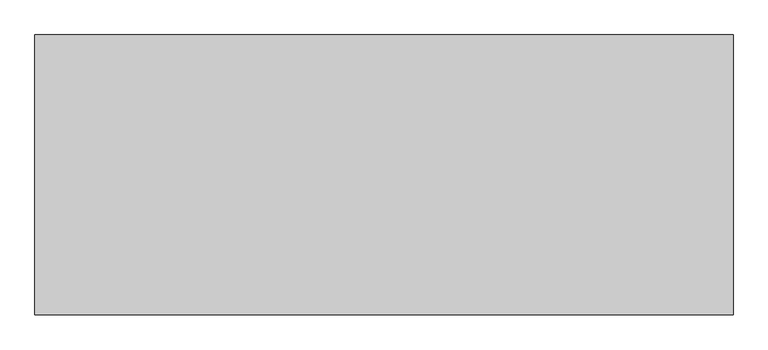
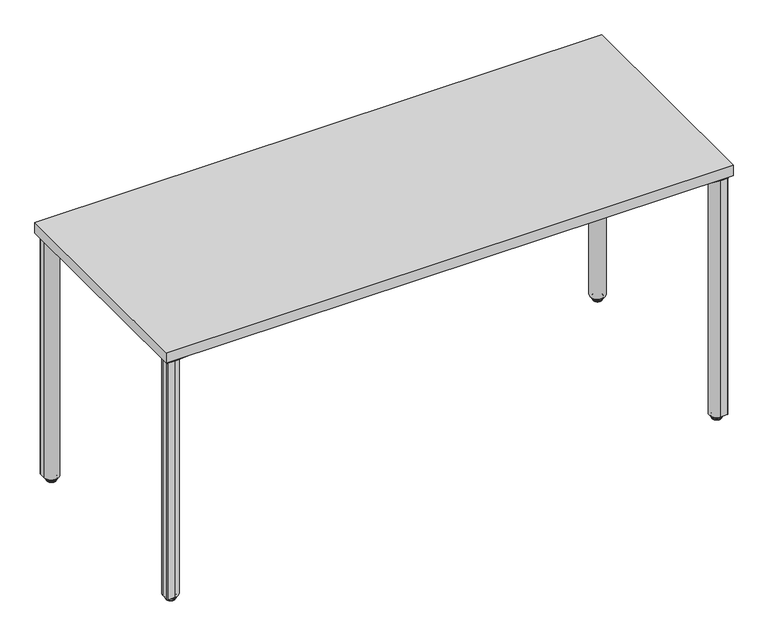
"""IFC4 building model written with IfcOpenShell, lengths in millimetres: furniture geometry."""

from ifc_helpers import new_model, si_unit, point, frame, frame_2d, origin, place, context, project, spatial, polyline, circle_curve, ellipse_curve, trimmed, segment, composite_curve, outline, extrude, source, transform, mapped, element, save
from ifc_brep_helpers import plane_surface, cylinder_surface, revolved_surface, advanced_brep


def furniture_3ead7a7c(model_context):
    return source(origin(), model_context, "Body", "SolidModel", [
        extrude(outline(composite_curve([segment(polyline([(1491.9282419, -602.3591905), (1416.5488309, -595.7643464)]), True, "CONTINUOUS"), segment(trimmed(circle_curve(frame_2d((1418.7277263, -570.8594586)), 25.0000204), [point((1416.5488309, -595.7643464))], [point((1401.0500399, -588.5371401))], False, "CARTESIAN"), True, "CONTINUOUS"), segment(polyline([(1401.0500399, -588.5371401), (1385.0744349, -572.5615305)]), True, "CONTINUOUS"), segment(trimmed(circle_curve(frame_2d((1402.7520997, -554.8838707)), 24.9999898), [point((1385.0744349, -572.5615305))], [point((1377.8472426, -557.0627657))], False, "CARTESIAN"), True, "CONTINUOUS"), segment(polyline([(1377.8472426, -557.0627657), (1371.3313511, -482.5858634)]), True, "CONTINUOUS"), segment(trimmed(circle_curve(frame_2d((1393.8108747, -482.5858634)), 22.4795236), [point((1371.3313511, -482.5858634))], [point((1393.8108747, -460.1063398))], False, "CARTESIAN"), True, "CONTINUOUS"), segment(polyline([(1393.8108747, -460.1063398), (1468.2877788, -466.6222314)]), True, "CONTINUOUS"), segment(trimmed(circle_curve(frame_2d((1466.1088843, -491.5270836)), 24.9999849), [point((1468.2877788, -466.6222314))], [point((1483.7865419, -473.8494235))], False, "CARTESIAN"), True, "CONTINUOUS"), segment(polyline([(1483.7865419, -473.8494235), (1499.7621588, -489.8250381)]), True, "CONTINUOUS"), segment(trimmed(circle_curve(frame_2d((1482.0844922, -507.5027072)), 24.9999976), [point((1499.7621588, -489.8250381))], [point((1506.9893573, -505.323814))], False, "CARTESIAN"), True, "CONTINUOUS"), segment(polyline([(1506.9893573, -505.323814), (1513.5842007, -580.7032242), (1513.5842007, -599.3591908)]), True, "CONTINUOUS"), segment(trimmed(circle_curve(frame_2d((1510.584201, -599.3591908)), 2.9999997), [point((1513.5842007, -599.3591908))], [point((1510.584201, -602.3591905))], False, "CARTESIAN"), True, "CONTINUOUS"), segment(polyline([(1510.584201, -602.3591905), (1491.9282419, -602.3591905)]), True, "CONTINUOUS")], self_intersect=False)), frame((0.0, 0.0, 686.384201), z_axis=(0.0, 0.0, 1.0), x_axis=(1.0, 0.0, 0.0)), (0.0, 0.0, 1.0), 7.9248),
        advanced_brep(
        [(1492.8342, -577.6130981, 14.6833482), (1492.8342, -585.6053019, 14.6833482), (1492.8342, -581.6092, 14.6833482), (1492.8342, -577.6130981, 12.9644666), (1492.8342, -585.6053019, 12.9644666), (1492.8342, -569.648784, 11.5824174), (1492.8342, -593.569616, 11.5824174), (1492.8342, -569.1277894, 2.659626), (1492.8342, -594.0906106, 2.659626), (1492.8342, -595.8548023, 6.9187598), (1492.8342, -567.3635977, 6.9187598), (1492.8342, -581.6092, 0.0), (1492.8342, -590.2922711, 0.0), (1492.8342, -572.9261289, 0.0)],
        [
            (0, 1, circle_curve(frame((1492.8342, -581.6092, 14.6833482), z_axis=(0.0, 0.0, 1.0), x_axis=(0.0, -1.0, 0.0)), 3.9961019)),
            (1, 2),
            (2, 0),
            (1, 0, circle_curve(frame((1492.8342, -581.6092, 14.6833482), z_axis=(0.0, 0.0, 1.0), x_axis=(0.0, -1.0, 0.0)), 3.9961019)),
            (3, 4, circle_curve(frame((1492.8342, -581.6092, 12.9644666), z_axis=(0.0, 0.0, 1.0), x_axis=(0.0, -1.0, 0.0)), 3.9961019)),
            (4, 1),
            (0, 3),
            (4, 3, circle_curve(frame((1492.8342, -581.6092, 12.9644666), z_axis=(0.0, 0.0, 1.0), x_axis=(0.0, -1.0, 0.0)), 3.9961019)),
            (5, 6, circle_curve(frame((1492.8342, -581.6092, 11.5824174), z_axis=(0.0, 0.0, 1.0), x_axis=(0.0, -1.0, 0.0)), 11.960416)),
            (6, 4),
            (3, 5),
            (6, 5, circle_curve(frame((1492.8342, -581.6092, 11.5824174), z_axis=(0.0, 0.0, 1.0), x_axis=(0.0, -1.0, 0.0)), 11.960416)),
            (7, 8, circle_curve(frame((1492.8342, -581.6092, 2.659626), z_axis=(0.0, 0.0, 1.0), x_axis=(0.0, -1.0, 0.0)), 12.4814106)),
            (8, 9),
            (9, 10, circle_curve(frame((1492.8342, -581.6092, 6.9187598), z_axis=(0.0, 0.0, -1.0), x_axis=(0.0, -1.0, 0.0)), 14.2456023)),
            (10, 7),
            (8, 7, circle_curve(frame((1492.8342, -581.6092, 2.659626), z_axis=(0.0, 0.0, 1.0), x_axis=(0.0, -1.0, 0.0)), 12.4814106)),
            (10, 9, circle_curve(frame((1492.8342, -581.6092, 6.9187598), z_axis=(0.0, 0.0, -1.0), x_axis=(0.0, -1.0, 0.0)), 14.2456023)),
            (11, 12),
            (12, 13, circle_curve(frame((1492.8342, -581.6092, 0.0), z_axis=(0.0, 0.0, -1.0), x_axis=(0.0, -1.0, 0.0)), 8.6830711)),
            (13, 11),
            (13, 12, circle_curve(frame((1492.8342, -581.6092, 0.0), z_axis=(0.0, 0.0, -1.0), x_axis=(0.0, -1.0, 0.0)), 8.6830711)),
            (9, 6, circle_curve(frame((1492.8342, -592.656773, 8.2434275), z_axis=(-1.0, 0.0, 0.0), x_axis=(0.0, -1.0, 0.0)), 3.4615222)),
            (5, 10, circle_curve(frame((1492.8342, -570.561627, 8.2434275), z_axis=(-1.0, 0.0, 0.0), x_axis=(0.0, 1.0, 0.0)), 3.4615222)),
            (12, 8, circle_curve(frame((1492.8342, -590.1040518, 4.3109134), z_axis=(-1.0, 0.0, 0.0), x_axis=(0.0, -1.0, 0.0)), 4.3150204)),
            (7, 13, circle_curve(frame((1492.8342, -573.1143482, 4.3109134), z_axis=(-1.0, 0.0, 0.0), x_axis=(0.0, 1.0, 0.0)), 4.3150204)),
        ],
        [
            plane_surface(frame((1492.8342, -581.6092, 14.6833482), z_axis=(0.0, 0.0, 1.0), x_axis=(0.0, -1.0, 0.0))),
            cylinder_surface(frame((1492.8342, -581.6092, 2438.4), z_axis=(0.0, 0.0, -1.0), x_axis=(0.0, -1.0, 0.0)), 3.9961019),
            revolved_surface(polyline([(1492.8342, -585.6053019, 12.9644666), (1492.8342, -593.569616, 11.5824174)]), (1492.8342, -581.6092, 2438.4), (0.0, 0.0, -1.0)),
            revolved_surface(polyline([(1492.8342, -595.8548023, 6.9187598), (1492.8342, -594.0906106, 2.659626)]), (1492.8342, -581.6092, 2438.4), (0.0, 0.0, -1.0)),
            plane_surface(frame((1492.8342, -581.6092, 0.0), z_axis=(0.0, 0.0, -1.0), x_axis=(0.0, -1.0, 0.0))),
            revolved_surface(trimmed(ellipse_curve(frame((1492.8342, -592.656773, 8.2434275), z_axis=(1.0, 0.0, 0.0), x_axis=(0.0, -1.0, 0.0)), 3.4615222, 3.4615222), [point((1492.8342, -593.569616, 11.5824174))], [point((1492.8342, -595.8548023, 6.9187598))], True, "CARTESIAN"), (1492.8342, -581.6092, 2438.4), (0.0, 0.0, -1.0)),
            revolved_surface(trimmed(ellipse_curve(frame((1492.8342, -590.1040518, 4.3109134), z_axis=(1.0, 0.0, 0.0), x_axis=(0.0, -1.0, 0.0)), 4.3150204, 4.3150204), [point((1492.8342, -594.0906106, 2.659626))], [point((1492.8342, -590.2922711, 0.0))], True, "CARTESIAN"), (1492.8342, -581.6092, 2438.4), (0.0, 0.0, -1.0)),
        ],
        [
            (0, [[1, 2, 3]]),
            (0, [[4, -3, -2]]),
            (1, [[5, 6, -1, 7]]),
            (1, [[8, -7, -4, -6]]),
            (2, [[9, 10, -5, 11]]),
            (2, [[12, -11, -8, -10]]),
            (3, [[13, 14, 15, 16]]),
            (3, [[17, -16, 18, -14]]),
            (4, [[19, 20, 21]]),
            (4, [[-21, 22, -19]]),
            (5, [[-15, 23, -9, 24]]),
            (5, [[-18, -24, -12, -23]]),
            (6, [[-20, 25, -13, 26]]),
            (6, [[-22, -26, -17, -25]]),
        ],
    ),
        extrude(outline(composite_curve([segment(trimmed(circle_curve(frame_2d((1492.8389509, -581.6139401)), 19.9952502), [point((1492.8389509, -601.6091903))], [point((1512.8342011, -581.6139401))], False, "CARTESIAN"), True, "CONTINUOUS"), segment(polyline([(1512.8342011, -581.6139401), (1512.8342011, -598.6089752)]), True, "CONTINUOUS"), segment(trimmed(circle_curve(frame_2d((1509.833986, -598.6089752)), 3.000215), [point((1512.8342011, -598.6089752))], [point((1509.833986, -601.6091903))], False, "CARTESIAN"), True, "CONTINUOUS"), segment(polyline([(1509.833986, -601.6091903), (1492.8389509, -601.6091903)]), True, "CONTINUOUS")], self_intersect=False)), frame((0.0, 0.0, 14.6833482), z_axis=(0.0, 0.0, 1.0), x_axis=(1.0, 0.0, 0.0)), (0.0, 0.0, 1.0), 671.7008528),
        extrude(outline(composite_curve([segment(polyline([(28.8967581, -602.3591905), (10.240799, -602.3591905)]), True, "CONTINUOUS"), segment(trimmed(circle_curve(frame_2d((10.240799, -599.3591908)), 2.9999997), [point((10.240799, -602.3591905))], [point((7.2407993, -599.3591908))], False, "CARTESIAN"), True, "CONTINUOUS"), segment(polyline([(7.2407993, -599.3591908), (7.2407993, -580.7032242), (13.8356427, -505.323814)]), True, "CONTINUOUS"), segment(trimmed(circle_curve(frame_2d((38.7405078, -507.5027072)), 24.9999976), [point((13.8356427, -505.323814))], [point((21.0628412, -489.8250381))], False, "CARTESIAN"), True, "CONTINUOUS"), segment(polyline([(21.0628412, -489.8250381), (37.0384581, -473.8494235)]), True, "CONTINUOUS"), segment(trimmed(circle_curve(frame_2d((54.7161157, -491.5270836)), 24.9999849), [point((37.0384581, -473.8494235))], [point((52.5372212, -466.6222314))], False, "CARTESIAN"), True, "CONTINUOUS"), segment(polyline([(52.5372212, -466.6222314), (127.0141253, -460.1063398)]), True, "CONTINUOUS"), segment(trimmed(circle_curve(frame_2d((127.0141253, -482.5858634)), 22.4795236), [point((127.0141253, -460.1063398))], [point((149.4936489, -482.5858634))], False, "CARTESIAN"), True, "CONTINUOUS"), segment(polyline([(149.4936489, -482.5858634), (142.9777574, -557.0627657)]), True, "CONTINUOUS"), segment(trimmed(circle_curve(frame_2d((118.0729003, -554.8838707)), 24.9999898), [point((142.9777574, -557.0627657))], [point((135.7505651, -572.5615305))], False, "CARTESIAN"), True, "CONTINUOUS"), segment(polyline([(135.7505651, -572.5615305), (119.7749601, -588.5371401)]), True, "CONTINUOUS"), segment(trimmed(circle_curve(frame_2d((102.0972737, -570.8594586)), 25.0000204), [point((119.7749601, -588.5371401))], [point((104.2761691, -595.7643464))], False, "CARTESIAN"), True, "CONTINUOUS"), segment(polyline([(104.2761691, -595.7643464), (28.8967581, -602.3591905)]), True, "CONTINUOUS")], self_intersect=False)), frame((0.0, 0.0, 686.384201), z_axis=(0.0, 0.0, 1.0), x_axis=(1.0, 0.0, 0.0)), (0.0, 0.0, 1.0), 7.9248),
        advanced_brep(
        [(27.9908, -577.6130981, 14.6833482), (27.9908, -581.6092, 14.6833482), (27.9908, -585.6053019, 14.6833482), (27.9908, -577.6130981, 12.9644666), (27.9908, -585.6053019, 12.9644666), (27.9908, -569.648784, 11.5824174), (27.9908, -593.569616, 11.5824174), (27.9908, -569.1277894, 2.659626), (27.9908, -567.3635977, 6.9187598), (27.9908, -595.8548023, 6.9187598), (27.9908, -594.0906106, 2.659626), (27.9908, -581.6092, 0.0), (27.9908, -572.9261289, 0.0), (27.9908, -590.2922711, 0.0)],
        [
            (0, 1),
            (1, 2),
            (2, 0, circle_curve(frame((27.9908, -581.6092, 14.6833482), z_axis=(0.0, 0.0, 1.0), x_axis=(0.0, -1.0, 0.0)), 3.9961019)),
            (0, 2, circle_curve(frame((27.9908, -581.6092, 14.6833482), z_axis=(0.0, 0.0, 1.0), x_axis=(0.0, -1.0, 0.0)), 3.9961019)),
            (3, 0),
            (2, 4),
            (4, 3, circle_curve(frame((27.9908, -581.6092, 12.9644666), z_axis=(0.0, 0.0, 1.0), x_axis=(0.0, -1.0, 0.0)), 3.9961019)),
            (3, 4, circle_curve(frame((27.9908, -581.6092, 12.9644666), z_axis=(0.0, 0.0, 1.0), x_axis=(0.0, -1.0, 0.0)), 3.9961019)),
            (5, 3),
            (4, 6),
            (6, 5, circle_curve(frame((27.9908, -581.6092, 11.5824174), z_axis=(0.0, 0.0, 1.0), x_axis=(0.0, -1.0, 0.0)), 11.960416)),
            (5, 6, circle_curve(frame((27.9908, -581.6092, 11.5824174), z_axis=(0.0, 0.0, 1.0), x_axis=(0.0, -1.0, 0.0)), 11.960416)),
            (7, 8),
            (8, 9, circle_curve(frame((27.9908, -581.6092, 6.9187598), z_axis=(0.0, 0.0, -1.0), x_axis=(0.0, -1.0, 0.0)), 14.2456023)),
            (9, 10),
            (10, 7, circle_curve(frame((27.9908, -581.6092, 2.659626), z_axis=(0.0, 0.0, 1.0), x_axis=(0.0, -1.0, 0.0)), 12.4814106)),
            (9, 8, circle_curve(frame((27.9908, -581.6092, 6.9187598), z_axis=(0.0, 0.0, -1.0), x_axis=(0.0, -1.0, 0.0)), 14.2456023)),
            (7, 10, circle_curve(frame((27.9908, -581.6092, 2.659626), z_axis=(0.0, 0.0, 1.0), x_axis=(0.0, -1.0, 0.0)), 12.4814106)),
            (11, 12),
            (12, 13, circle_curve(frame((27.9908, -581.6092, 0.0), z_axis=(0.0, 0.0, -1.0), x_axis=(0.0, -1.0, 0.0)), 8.6830711)),
            (13, 11),
            (13, 12, circle_curve(frame((27.9908, -581.6092, 0.0), z_axis=(0.0, 0.0, -1.0), x_axis=(0.0, -1.0, 0.0)), 8.6830711)),
            (8, 5, circle_curve(frame((27.9908, -570.561627, 8.2434275), z_axis=(1.0, 0.0, 0.0), x_axis=(0.0, 1.0, 0.0)), 3.4615222)),
            (6, 9, circle_curve(frame((27.9908, -592.656773, 8.2434275), z_axis=(1.0, 0.0, 0.0), x_axis=(0.0, -1.0, 0.0)), 3.4615222)),
            (12, 7, circle_curve(frame((27.9908, -573.1143482, 4.3109134), z_axis=(1.0, 0.0, 0.0), x_axis=(0.0, 1.0, 0.0)), 4.3150204)),
            (10, 13, circle_curve(frame((27.9908, -590.1040518, 4.3109134), z_axis=(1.0, 0.0, 0.0), x_axis=(0.0, -1.0, 0.0)), 4.3150204)),
        ],
        [
            plane_surface(frame((27.9908, -581.6092, 14.6833482), z_axis=(0.0, 0.0, 1.0), x_axis=(0.0, -1.0, 0.0))),
            cylinder_surface(frame((27.9908, -581.6092, 2438.4), z_axis=(0.0, 0.0, -1.0), x_axis=(0.0, -1.0, 0.0)), 3.9961019),
            revolved_surface(polyline([(27.9908, -585.6053019, 12.9644666), (27.9908, -593.569616, 11.5824174)]), (27.9908, -581.6092, 2438.4), (0.0, 0.0, -1.0)),
            revolved_surface(polyline([(27.9908, -595.8548023, 6.9187598), (27.9908, -594.0906106, 2.659626)]), (27.9908, -581.6092, 2438.4), (0.0, 0.0, -1.0)),
            plane_surface(frame((27.9908, -581.6092, 0.0), z_axis=(0.0, 0.0, -1.0), x_axis=(0.0, -1.0, 0.0))),
            revolved_surface(trimmed(ellipse_curve(frame((27.9908, -592.656773, 8.2434275), z_axis=(1.0, 0.0, 0.0), x_axis=(0.0, -1.0, 0.0)), 3.4615222, 3.4615222), [point((27.9908, -593.569616, 11.5824174))], [point((27.9908, -595.8548023, 6.9187598))], True, "CARTESIAN"), (27.9908, -581.6092, 2438.4), (0.0, 0.0, -1.0)),
            revolved_surface(trimmed(ellipse_curve(frame((27.9908, -590.1040518, 4.3109134), z_axis=(1.0, 0.0, 0.0), x_axis=(0.0, -1.0, 0.0)), 4.3150204, 4.3150204), [point((27.9908, -594.0906106, 2.659626))], [point((27.9908, -590.2922711, 0.0))], True, "CARTESIAN"), (27.9908, -581.6092, 2438.4), (0.0, 0.0, -1.0)),
        ],
        [
            (0, [[1, 2, 3]]),
            (0, [[-2, -1, 4]]),
            (1, [[5, -3, 6, 7]]),
            (1, [[-6, -4, -5, 8]]),
            (2, [[9, -7, 10, 11]]),
            (2, [[-10, -8, -9, 12]]),
            (3, [[13, 14, 15, 16]]),
            (3, [[-15, 17, -13, 18]]),
            (4, [[19, 20, 21]]),
            (4, [[-21, 22, -19]]),
            (5, [[23, -11, 24, -14]]),
            (5, [[-24, -12, -23, -17]]),
            (6, [[25, -16, 26, -20]]),
            (6, [[-26, -18, -25, -22]]),
        ],
    ),
        extrude(outline(composite_curve([segment(polyline([(27.9860491, -601.6091903), (10.991014, -601.6091903)]), True, "CONTINUOUS"), segment(trimmed(circle_curve(frame_2d((10.991014, -598.6089752)), 3.000215), [point((10.991014, -601.6091903))], [point((7.9907989, -598.6089752))], False, "CARTESIAN"), True, "CONTINUOUS"), segment(polyline([(7.9907989, -598.6089752), (7.9907989, -581.6139401)]), True, "CONTINUOUS"), segment(trimmed(circle_curve(frame_2d((27.9860491, -581.6139401)), 19.9952502), [point((7.9907989, -581.6139401))], [point((27.9860491, -601.6091903))], False, "CARTESIAN"), True, "CONTINUOUS")], self_intersect=False)), frame((0.0, 0.0, 14.6833482), z_axis=(0.0, 0.0, 1.0), x_axis=(1.0, 0.0, 0.0)), (0.0, 0.0, 1.0), 671.7008528),
        extrude(outline(composite_curve([segment(polyline([(1491.9282419, -7.2408095), (1510.584201, -7.2408095)]), True, "CONTINUOUS"), segment(trimmed(circle_curve(frame_2d((1510.584201, -10.2408092)), 2.9999997), [point((1510.584201, -7.2408095))], [point((1513.5842007, -10.2408092))], False, "CARTESIAN"), True, "CONTINUOUS"), segment(polyline([(1513.5842007, -10.2408092), (1513.5842007, -28.8967758), (1506.9893573, -104.276186)]), True, "CONTINUOUS"), segment(trimmed(circle_curve(frame_2d((1482.0844922, -102.0972928)), 24.9999976), [point((1506.9893573, -104.276186))], [point((1499.7621588, -119.7749619))], False, "CARTESIAN"), True, "CONTINUOUS"), segment(polyline([(1499.7621588, -119.7749619), (1483.7865419, -135.7505765)]), True, "CONTINUOUS"), segment(trimmed(circle_curve(frame_2d((1466.1088843, -118.0729164)), 24.9999849), [point((1483.7865419, -135.7505765))], [point((1468.2877788, -142.9777686))], False, "CARTESIAN"), True, "CONTINUOUS"), segment(polyline([(1468.2877788, -142.9777686), (1393.8108747, -149.4936602)]), True, "CONTINUOUS"), segment(trimmed(circle_curve(frame_2d((1393.8108747, -127.0141366)), 22.4795236), [point((1393.8108747, -149.4936602))], [point((1371.3313511, -127.0141366))], False, "CARTESIAN"), True, "CONTINUOUS"), segment(polyline([(1371.3313511, -127.0141366), (1377.8472426, -52.5372343)]), True, "CONTINUOUS"), segment(trimmed(circle_curve(frame_2d((1402.7520997, -54.7161293)), 24.9999898), [point((1377.8472426, -52.5372343))], [point((1385.0744349, -37.0384695))], False, "CARTESIAN"), True, "CONTINUOUS"), segment(polyline([(1385.0744349, -37.0384695), (1401.0500399, -21.0628599)]), True, "CONTINUOUS"), segment(trimmed(circle_curve(frame_2d((1418.7277263, -38.7405414)), 25.0000204), [point((1401.0500399, -21.0628599))], [point((1416.5488309, -13.8356536))], False, "CARTESIAN"), True, "CONTINUOUS"), segment(polyline([(1416.5488309, -13.8356536), (1491.9282419, -7.2408095)]), True, "CONTINUOUS")], self_intersect=False)), frame((0.0, 0.0, 686.384201), z_axis=(0.0, 0.0, 1.0), x_axis=(1.0, 0.0, 0.0)), (0.0, 0.0, 1.0), 7.9248),
        advanced_brep(
        [(1492.8342, -31.9869019, 14.6833482), (1492.8342, -27.9908, 14.6833482), (1492.8342, -23.9946981, 14.6833482), (1492.8342, -31.9869019, 12.9644666), (1492.8342, -23.9946981, 12.9644666), (1492.8342, -39.951216, 11.5824174), (1492.8342, -16.030384, 11.5824174), (1492.8342, -40.4722106, 2.659626), (1492.8342, -42.2364023, 6.9187598), (1492.8342, -13.7451977, 6.9187598), (1492.8342, -15.5093894, 2.659626), (1492.8342, -27.9908, 0.0), (1492.8342, -36.6738711, 0.0), (1492.8342, -19.3077289, 0.0)],
        [
            (0, 1),
            (1, 2),
            (2, 0, circle_curve(frame((1492.8342, -27.9908, 14.6833482), z_axis=(0.0, 0.0, 1.0), x_axis=(0.0, 1.0, 0.0)), 3.9961019)),
            (0, 2, circle_curve(frame((1492.8342, -27.9908, 14.6833482), z_axis=(0.0, 0.0, 1.0), x_axis=(0.0, 1.0, 0.0)), 3.9961019)),
            (3, 0),
            (2, 4),
            (4, 3, circle_curve(frame((1492.8342, -27.9908, 12.9644666), z_axis=(0.0, 0.0, 1.0), x_axis=(0.0, 1.0, 0.0)), 3.9961019)),
            (3, 4, circle_curve(frame((1492.8342, -27.9908, 12.9644666), z_axis=(0.0, 0.0, 1.0), x_axis=(0.0, 1.0, 0.0)), 3.9961019)),
            (5, 3),
            (4, 6),
            (6, 5, circle_curve(frame((1492.8342, -27.9908, 11.5824174), z_axis=(0.0, 0.0, 1.0), x_axis=(0.0, 1.0, 0.0)), 11.960416)),
            (5, 6, circle_curve(frame((1492.8342, -27.9908, 11.5824174), z_axis=(0.0, 0.0, 1.0), x_axis=(0.0, 1.0, 0.0)), 11.960416)),
            (7, 8),
            (8, 9, circle_curve(frame((1492.8342, -27.9908, 6.9187598), z_axis=(0.0, 0.0, -1.0), x_axis=(0.0, 1.0, 0.0)), 14.2456023)),
            (9, 10),
            (10, 7, circle_curve(frame((1492.8342, -27.9908, 2.659626), z_axis=(0.0, 0.0, 1.0), x_axis=(0.0, 1.0, 0.0)), 12.4814106)),
            (9, 8, circle_curve(frame((1492.8342, -27.9908, 6.9187598), z_axis=(0.0, 0.0, -1.0), x_axis=(0.0, 1.0, 0.0)), 14.2456023)),
            (7, 10, circle_curve(frame((1492.8342, -27.9908, 2.659626), z_axis=(0.0, 0.0, 1.0), x_axis=(0.0, 1.0, 0.0)), 12.4814106)),
            (11, 12),
            (12, 13, circle_curve(frame((1492.8342, -27.9908, 0.0), z_axis=(0.0, 0.0, -1.0), x_axis=(0.0, 1.0, 0.0)), 8.6830711)),
            (13, 11),
            (13, 12, circle_curve(frame((1492.8342, -27.9908, 0.0), z_axis=(0.0, 0.0, -1.0), x_axis=(0.0, 1.0, 0.0)), 8.6830711)),
            (8, 5, circle_curve(frame((1492.8342, -39.038373, 8.2434275), z_axis=(-1.0, 0.0, 0.0), x_axis=(0.0, -1.0, 0.0)), 3.4615222)),
            (6, 9, circle_curve(frame((1492.8342, -16.943227, 8.2434275), z_axis=(-1.0, 0.0, 0.0), x_axis=(0.0, 1.0, 0.0)), 3.4615222)),
            (12, 7, circle_curve(frame((1492.8342, -36.4856518, 4.3109134), z_axis=(-1.0, 0.0, 0.0), x_axis=(0.0, -1.0, 0.0)), 4.3150204)),
            (10, 13, circle_curve(frame((1492.8342, -19.4959482, 4.3109134), z_axis=(-1.0, 0.0, 0.0), x_axis=(0.0, 1.0, 0.0)), 4.3150204)),
        ],
        [
            plane_surface(frame((1492.8342, -27.9908, 14.6833482), z_axis=(0.0, 0.0, 1.0), x_axis=(0.0, 1.0, 0.0))),
            cylinder_surface(frame((1492.8342, -27.9908, 2438.4), z_axis=(0.0, 0.0, -1.0), x_axis=(0.0, 1.0, 0.0)), 3.9961019),
            revolved_surface(polyline([(1492.8342, -23.9946981, 12.9644666), (1492.8342, -16.030384, 11.5824174)]), (1492.8342, -27.9908, 2438.4), (0.0, 0.0, -1.0)),
            revolved_surface(polyline([(1492.8342, -13.7451977, 6.9187598), (1492.8342, -15.5093894, 2.659626)]), (1492.8342, -27.9908, 2438.4), (0.0, 0.0, -1.0)),
            plane_surface(frame((1492.8342, -27.9908, 0.0), z_axis=(0.0, 0.0, -1.0), x_axis=(0.0, 1.0, 0.0))),
            revolved_surface(trimmed(ellipse_curve(frame((1492.8342, -16.943227, 8.2434275), z_axis=(-1.0, 0.0, 0.0), x_axis=(0.0, 1.0, 0.0)), 3.4615222, 3.4615222), [point((1492.8342, -16.030384, 11.5824174))], [point((1492.8342, -13.7451977, 6.9187598))], True, "CARTESIAN"), (1492.8342, -27.9908, 2438.4), (0.0, 0.0, -1.0)),
            revolved_surface(trimmed(ellipse_curve(frame((1492.8342, -19.4959482, 4.3109134), z_axis=(-1.0, 0.0, 0.0), x_axis=(0.0, 1.0, 0.0)), 4.3150204, 4.3150204), [point((1492.8342, -15.5093894, 2.659626))], [point((1492.8342, -19.3077289, 0.0))], True, "CARTESIAN"), (1492.8342, -27.9908, 2438.4), (0.0, 0.0, -1.0)),
        ],
        [
            (0, [[1, 2, 3]]),
            (0, [[-2, -1, 4]]),
            (1, [[5, -3, 6, 7]]),
            (1, [[-6, -4, -5, 8]]),
            (2, [[9, -7, 10, 11]]),
            (2, [[-10, -8, -9, 12]]),
            (3, [[13, 14, 15, 16]]),
            (3, [[-15, 17, -13, 18]]),
            (4, [[19, 20, 21]]),
            (4, [[-21, 22, -19]]),
            (5, [[23, -11, 24, -14]]),
            (5, [[-24, -12, -23, -17]]),
            (6, [[25, -16, 26, -20]]),
            (6, [[-26, -18, -25, -22]]),
        ],
    ),
        extrude(outline(composite_curve([segment(polyline([(1492.8389509, -7.9908097), (1509.833986, -7.9908097)]), True, "CONTINUOUS"), segment(trimmed(circle_curve(frame_2d((1509.833986, -10.9910248)), 3.000215), [point((1509.833986, -7.9908097))], [point((1512.8342011, -10.9910248))], False, "CARTESIAN"), True, "CONTINUOUS"), segment(polyline([(1512.8342011, -10.9910248), (1512.8342011, -27.9860599)]), True, "CONTINUOUS"), segment(trimmed(circle_curve(frame_2d((1492.8389509, -27.9860599)), 19.9952502), [point((1512.8342011, -27.9860599))], [point((1492.8389509, -7.9908097))], False, "CARTESIAN"), True, "CONTINUOUS")], self_intersect=False)), frame((0.0, 0.0, 14.6833482), z_axis=(0.0, 0.0, 1.0), x_axis=(1.0, 0.0, 0.0)), (0.0, 0.0, 1.0), 671.7008528),
        extrude(outline(composite_curve([segment(polyline([(28.8967581, -7.2408095), (104.2761691, -13.8356536)]), True, "CONTINUOUS"), segment(trimmed(circle_curve(frame_2d((102.0972737, -38.7405414)), 25.0000204), [point((104.2761691, -13.8356536))], [point((119.7749601, -21.0628599))], False, "CARTESIAN"), True, "CONTINUOUS"), segment(polyline([(119.7749601, -21.0628599), (135.7505651, -37.0384695)]), True, "CONTINUOUS"), segment(trimmed(circle_curve(frame_2d((118.0729003, -54.7161293)), 24.9999898), [point((135.7505651, -37.0384695))], [point((142.9777574, -52.5372343))], False, "CARTESIAN"), True, "CONTINUOUS"), segment(polyline([(142.9777574, -52.5372343), (149.4936489, -127.0141366)]), True, "CONTINUOUS"), segment(trimmed(circle_curve(frame_2d((127.0141253, -127.0141366)), 22.4795236), [point((149.4936489, -127.0141366))], [point((127.0141253, -149.4936602))], False, "CARTESIAN"), True, "CONTINUOUS"), segment(polyline([(127.0141253, -149.4936602), (52.5372212, -142.9777686)]), True, "CONTINUOUS"), segment(trimmed(circle_curve(frame_2d((54.7161157, -118.0729164)), 24.9999849), [point((52.5372212, -142.9777686))], [point((37.0384581, -135.7505765))], False, "CARTESIAN"), True, "CONTINUOUS"), segment(polyline([(37.0384581, -135.7505765), (21.0628412, -119.7749619)]), True, "CONTINUOUS"), segment(trimmed(circle_curve(frame_2d((38.7405078, -102.0972928)), 24.9999976), [point((21.0628412, -119.7749619))], [point((13.8356427, -104.276186))], False, "CARTESIAN"), True, "CONTINUOUS"), segment(polyline([(13.8356427, -104.276186), (7.2407993, -28.8967758), (7.2407993, -10.2408092)]), True, "CONTINUOUS"), segment(trimmed(circle_curve(frame_2d((10.240799, -10.2408092)), 2.9999997), [point((7.2407993, -10.2408092))], [point((10.240799, -7.2408095))], False, "CARTESIAN"), True, "CONTINUOUS"), segment(polyline([(10.240799, -7.2408095), (28.8967581, -7.2408095)]), True, "CONTINUOUS")], self_intersect=False)), frame((0.0, 0.0, 686.384201), z_axis=(0.0, 0.0, 1.0), x_axis=(1.0, 0.0, 0.0)), (0.0, 0.0, 1.0), 7.9248),
        advanced_brep(
        [(27.9908, -31.9869019, 14.6833482), (27.9908, -23.9946981, 14.6833482), (27.9908, -27.9908, 14.6833482), (27.9908, -31.9869019, 12.9644666), (27.9908, -23.9946981, 12.9644666), (27.9908, -39.951216, 11.5824174), (27.9908, -16.030384, 11.5824174), (27.9908, -40.4722106, 2.659626), (27.9908, -15.5093894, 2.659626), (27.9908, -13.7451977, 6.9187598), (27.9908, -42.2364023, 6.9187598), (27.9908, -27.9908, 0.0), (27.9908, -19.3077289, 0.0), (27.9908, -36.6738711, 0.0)],
        [
            (0, 1, circle_curve(frame((27.9908, -27.9908, 14.6833482), z_axis=(0.0, 0.0, 1.0), x_axis=(0.0, 1.0, 0.0)), 3.9961019)),
            (1, 2),
            (2, 0),
            (1, 0, circle_curve(frame((27.9908, -27.9908, 14.6833482), z_axis=(0.0, 0.0, 1.0), x_axis=(0.0, 1.0, 0.0)), 3.9961019)),
            (3, 4, circle_curve(frame((27.9908, -27.9908, 12.9644666), z_axis=(0.0, 0.0, 1.0), x_axis=(0.0, 1.0, 0.0)), 3.9961019)),
            (4, 1),
            (0, 3),
            (4, 3, circle_curve(frame((27.9908, -27.9908, 12.9644666), z_axis=(0.0, 0.0, 1.0), x_axis=(0.0, 1.0, 0.0)), 3.9961019)),
            (5, 6, circle_curve(frame((27.9908, -27.9908, 11.5824174), z_axis=(0.0, 0.0, 1.0), x_axis=(0.0, 1.0, 0.0)), 11.960416)),
            (6, 4),
            (3, 5),
            (6, 5, circle_curve(frame((27.9908, -27.9908, 11.5824174), z_axis=(0.0, 0.0, 1.0), x_axis=(0.0, 1.0, 0.0)), 11.960416)),
            (7, 8, circle_curve(frame((27.9908, -27.9908, 2.659626), z_axis=(0.0, 0.0, 1.0), x_axis=(0.0, 1.0, 0.0)), 12.4814106)),
            (8, 9),
            (9, 10, circle_curve(frame((27.9908, -27.9908, 6.9187598), z_axis=(0.0, 0.0, -1.0), x_axis=(0.0, 1.0, 0.0)), 14.2456023)),
            (10, 7),
            (8, 7, circle_curve(frame((27.9908, -27.9908, 2.659626), z_axis=(0.0, 0.0, 1.0), x_axis=(0.0, 1.0, 0.0)), 12.4814106)),
            (10, 9, circle_curve(frame((27.9908, -27.9908, 6.9187598), z_axis=(0.0, 0.0, -1.0), x_axis=(0.0, 1.0, 0.0)), 14.2456023)),
            (11, 12),
            (12, 13, circle_curve(frame((27.9908, -27.9908, 0.0), z_axis=(0.0, 0.0, -1.0), x_axis=(0.0, 1.0, 0.0)), 8.6830711)),
            (13, 11),
            (13, 12, circle_curve(frame((27.9908, -27.9908, 0.0), z_axis=(0.0, 0.0, -1.0), x_axis=(0.0, 1.0, 0.0)), 8.6830711)),
            (9, 6, circle_curve(frame((27.9908, -16.943227, 8.2434275), z_axis=(1.0, 0.0, 0.0), x_axis=(0.0, 1.0, 0.0)), 3.4615222)),
            (5, 10, circle_curve(frame((27.9908, -39.038373, 8.2434275), z_axis=(1.0, 0.0, 0.0), x_axis=(0.0, -1.0, 0.0)), 3.4615222)),
            (12, 8, circle_curve(frame((27.9908, -19.4959482, 4.3109134), z_axis=(1.0, 0.0, 0.0), x_axis=(0.0, 1.0, 0.0)), 4.3150204)),
            (7, 13, circle_curve(frame((27.9908, -36.4856518, 4.3109134), z_axis=(1.0, 0.0, 0.0), x_axis=(0.0, -1.0, 0.0)), 4.3150204)),
        ],
        [
            plane_surface(frame((27.9908, -27.9908, 14.6833482), z_axis=(0.0, 0.0, 1.0), x_axis=(0.0, 1.0, 0.0))),
            cylinder_surface(frame((27.9908, -27.9908, 2438.4), z_axis=(0.0, 0.0, -1.0), x_axis=(0.0, 1.0, 0.0)), 3.9961019),
            revolved_surface(polyline([(27.9908, -23.9946981, 12.9644666), (27.9908, -16.030384, 11.5824174)]), (27.9908, -27.9908, 2438.4), (0.0, 0.0, -1.0)),
            revolved_surface(polyline([(27.9908, -13.7451977, 6.9187598), (27.9908, -15.5093894, 2.659626)]), (27.9908, -27.9908, 2438.4), (0.0, 0.0, -1.0)),
            plane_surface(frame((27.9908, -27.9908, 0.0), z_axis=(0.0, 0.0, -1.0), x_axis=(0.0, 1.0, 0.0))),
            revolved_surface(trimmed(ellipse_curve(frame((27.9908, -16.943227, 8.2434275), z_axis=(-1.0, 0.0, 0.0), x_axis=(0.0, 1.0, 0.0)), 3.4615222, 3.4615222), [point((27.9908, -16.030384, 11.5824174))], [point((27.9908, -13.7451977, 6.9187598))], True, "CARTESIAN"), (27.9908, -27.9908, 2438.4), (0.0, 0.0, -1.0)),
            revolved_surface(trimmed(ellipse_curve(frame((27.9908, -19.4959482, 4.3109134), z_axis=(-1.0, 0.0, 0.0), x_axis=(0.0, 1.0, 0.0)), 4.3150204, 4.3150204), [point((27.9908, -15.5093894, 2.659626))], [point((27.9908, -19.3077289, 0.0))], True, "CARTESIAN"), (27.9908, -27.9908, 2438.4), (0.0, 0.0, -1.0)),
        ],
        [
            (0, [[1, 2, 3]]),
            (0, [[4, -3, -2]]),
            (1, [[5, 6, -1, 7]]),
            (1, [[8, -7, -4, -6]]),
            (2, [[9, 10, -5, 11]]),
            (2, [[12, -11, -8, -10]]),
            (3, [[13, 14, 15, 16]]),
            (3, [[17, -16, 18, -14]]),
            (4, [[19, 20, 21]]),
            (4, [[-21, 22, -19]]),
            (5, [[-15, 23, -9, 24]]),
            (5, [[-18, -24, -12, -23]]),
            (6, [[-20, 25, -13, 26]]),
            (6, [[-22, -26, -17, -25]]),
        ],
    ),
        extrude(outline(composite_curve([segment(trimmed(circle_curve(frame_2d((27.9860491, -27.9860599)), 19.9952502), [point((27.9860491, -7.9908097))], [point((7.9907989, -27.9860599))], False, "CARTESIAN"), True, "CONTINUOUS"), segment(polyline([(7.9907989, -27.9860599), (7.9907989, -10.9910248)]), True, "CONTINUOUS"), segment(trimmed(circle_curve(frame_2d((10.991014, -10.9910248)), 3.000215), [point((7.9907989, -10.9910248))], [point((10.991014, -7.9908097))], False, "CARTESIAN"), True, "CONTINUOUS"), segment(polyline([(10.991014, -7.9908097), (27.9860491, -7.9908097)]), True, "CONTINUOUS")], self_intersect=False)), frame((0.0, 0.0, 14.6833482), z_axis=(0.0, 0.0, 1.0), x_axis=(1.0, 0.0, 0.0)), (0.0, 0.0, 1.0), 671.7008528),
        extrude(outline(polyline([(0.0, 0.0), (1520.825, 0.0), (1520.825, -609.6), (0.0, -609.6), (0.0, 0.0)])), frame((0.0, 0.0, 694.309), z_axis=(0.0, 0.0, 1.0), x_axis=(1.0, 0.0, 0.0)), (0.0, 0.0, 1.0), 29.591),
        extrude(outline(composite_curve([segment(polyline([(-286.542548, 694.309), (-270.637, 694.309), (-270.637, 693.0949036), (-285.5174874, 693.0949036), (-290.1595601, 666.5990644)]), True, "CONTINUOUS"), segment(trimmed(circle_curve(frame_2d((-296.414308, 667.6948967)), 6.3500173), [point((-290.1595601, 666.5990644))], [point((-296.414308, 661.3448793))], False, "CARTESIAN"), True, "CONTINUOUS"), segment(polyline([(-296.414308, 661.3448793), (-313.185692, 661.3448793)]), True, "CONTINUOUS"), segment(trimmed(circle_curve(frame_2d((-313.185692, 667.6948967)), 6.3500173), [point((-313.185692, 661.3448793))], [point((-319.4404399, 666.5990644))], False, "CARTESIAN"), True, "CONTINUOUS"), segment(polyline([(-319.4404399, 666.5990644), (-324.0825126, 693.0949036), (-338.963, 693.0949036), (-338.963, 694.309), (-323.057452, 694.309), (-318.2395316, 666.8094637)]), True, "CONTINUOUS"), segment(trimmed(circle_curve(frame_2d((-313.185692, 667.6948967)), 5.1308173), [point((-318.2395316, 666.8094637))], [point((-313.185692, 662.5640793))], True, "CARTESIAN"), True, "CONTINUOUS"), segment(polyline([(-313.185692, 662.5640793), (-296.414308, 662.5640793)]), True, "CONTINUOUS"), segment(trimmed(circle_curve(frame_2d((-296.414308, 667.6948967)), 5.1308173), [point((-296.414308, 662.5640793))], [point((-291.3604684, 666.8094637))], True, "CARTESIAN"), True, "CONTINUOUS"), segment(polyline([(-291.3604684, 666.8094637), (-286.542548, 694.309)]), True, "CONTINUOUS")], self_intersect=False)), frame((210.5152, 0.0, 0.0), z_axis=(1.0, 0.0, 0.0), x_axis=(0.0, 1.0, 0.0)), (0.0, 0.0, 1.0), 1099.7946),
    ])


if __name__ == "__main__":
    model = new_model("IFC4")
    model_context = context("Model", 3, world=origin())
    ifc_project = project(units=[si_unit("LENGTHUNIT", "METRE", prefix="MILLI")], contexts=[model_context])
    site = spatial("IfcSite", under=ifc_project)
    building = spatial("IfcBuilding", under=site)
    placement = place(None, origin())
    furniture_shape = furniture_3ead7a7c(model_context)
    element("IfcFurniture", 1, at=placement, inside=building, context=model_context, shape_type="MappedRepresentation", body=[
        mapped(furniture_shape, transform((0.0, 0.0, 0.0), x_axis=(1.0, 0.0, 0.0), y_axis=(0.0, 1.0, 0.0), z_axis=(0.0, 0.0, 1.0))),
    ])
    save(model, "model.ifc")
